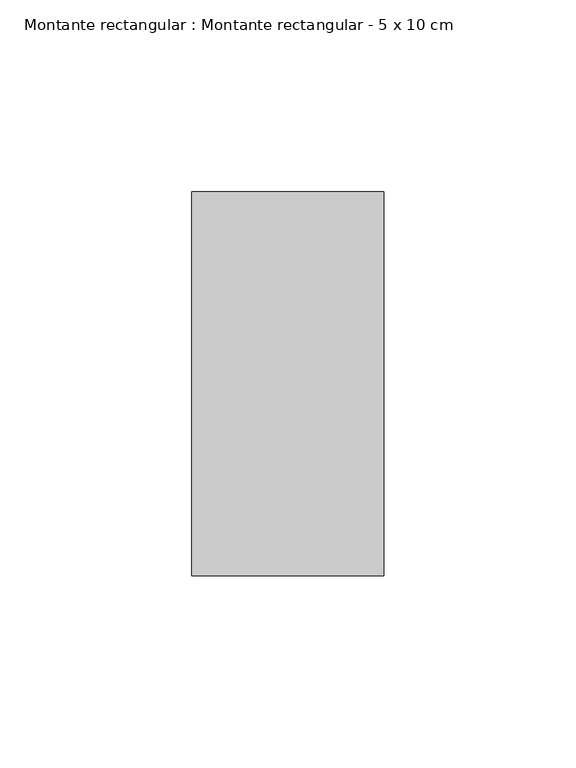
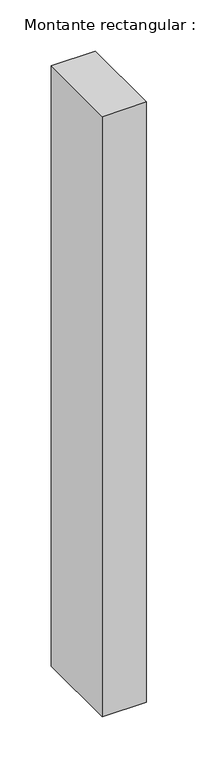
"""IFC4 building model written with IfcOpenShell, lengths in millimetres: member geometry, Montante rectangular : Montante rectangular - 5 x 10 cm."""

import ifcopenshell
import ifcopenshell.guid

model = None  # the IFC model being written
_history = None  # IfcOwnerHistory: only IFC2X3 demands one
_inside = {}  # id of a spatial element -> (the spatial element, [elements in it])
_under = {}  # id of a project, library or spatial element -> (it, [spatial elements below it])
_declared = {}  # id of a project -> (the project, [libraries it declares])
_typed = {}  # id of a type object -> (the type object, [elements of that type])
_made_of = {}  # id of a material, layer set ... -> (it, [elements and type objects made of it])


def new_model(schema):
    """Start an empty IFC model of exactly this schema.

    Asked for "IFC4X3", IfcOpenShell would pick the latest addendum, in which some entities
    have other attributes; the version numbers below select the first issue.
    IFC2X3 requires an IfcOwnerHistory on every rooted entity: one is made here for all.
    """
    global model, _history
    if schema == "IFC4X3":
        model = ifcopenshell.file(schema_version=(4, 3, 0, 0))
    else:
        model = ifcopenshell.file(schema=schema)
    _inside.clear()
    _under.clear()
    _declared.clear()
    _typed.clear()
    _made_of.clear()
    _history = None
    if model.schema == "IFC2X3":
        org = make("IfcOrganization", Name="unknown")
        user = make(
            "IfcPersonAndOrganization",
            ThePerson=make("IfcPerson", FamilyName="unknown"),
            TheOrganization=org,
        )
        app = make(
            "IfcApplication",
            ApplicationDeveloper=org,
            Version="unknown",
            ApplicationFullName="unknown",
            ApplicationIdentifier="unknown",
        )
        _history = make(
            "IfcOwnerHistory",
            OwningUser=user,
            OwningApplication=app,
            ChangeAction="ADDED",
            CreationDate=0,
        )
    return model


def make(cls, **values):
    """One entity of the class cls with the attributes given. An attribute that is None is left unset."""
    return model.create_entity(
        cls, **{name: value for name, value in values.items() if value is not None}
    )


def rooted(cls, **values):
    """An entity with a GlobalId (a new one), such as an element, a storey or a relation."""
    return make(cls, GlobalId=ifcopenshell.guid.new(), OwnerHistory=_history, **values)


def si_unit(unit_type, name, prefix=None):
    """IfcSIUnit, for example si_unit("LENGTHUNIT", "METRE", prefix="MILLI")."""
    return make("IfcSIUnit", UnitType=unit_type, Prefix=prefix, Name=name)


def assignment(units):
    """IfcUnitAssignment: the units of a project."""
    return None if units is None else make("IfcUnitAssignment", Units=units)


def point(xyz):
    """IfcCartesianPoint."""
    return None if xyz is None else make("IfcCartesianPoint", Coordinates=xyz)


def direction(xyz):
    """IfcDirection."""
    return None if xyz is None else make("IfcDirection", DirectionRatios=xyz)


def frame(location, z_axis=None, x_axis=None):
    """IfcAxis2Placement3D, a coordinate frame: its origin and axes. An axis left out is left unset."""
    return make(
        "IfcAxis2Placement3D",
        Location=point(location),
        Axis=direction(z_axis),
        RefDirection=direction(x_axis),
    )


def origin():
    """The frame at (0, 0, 0) with its axes left unset."""
    return frame((0.0, 0.0, 0.0))


def place(relative_to, where):
    """IfcLocalPlacement: puts the frame where relative to a parent placement (None: the world)."""
    return make(
        "IfcLocalPlacement", PlacementRelTo=relative_to, RelativePlacement=where
    )


def context(
    kind, dimensions, precision=None, world=None, true_north=None, identifier=None
):
    """IfcGeometricRepresentationContext, for example the 3D "Model" context."""
    return make(
        "IfcGeometricRepresentationContext",
        ContextIdentifier=identifier,
        ContextType=kind,
        CoordinateSpaceDimension=dimensions,
        Precision=precision,
        WorldCoordinateSystem=world,
        TrueNorth=true_north,
    )


def project(units=None, contexts=None):
    """IfcProject with its units and contexts."""
    return rooted(
        "IfcProject",
        Name="project",
        RepresentationContexts=contexts,
        UnitsInContext=assignment(units),
    )


def spatial(cls, under=None, at=None, **own):
    """A site, building, storey or space (cls), placed at a placement, below another one or the project."""
    s = rooted(cls, ObjectPlacement=at, **own)
    if under is not None:
        _under.setdefault(under.id(), (under, []))[1].append(s)
    return s


def polyline(points):
    """IfcPolyline through the points."""
    return make("IfcPolyline", Points=[point(p) for p in points])


def outline(outer, holes=None, kind="AREA"):
    """IfcArbitraryClosedProfileDef: a profile drawn as a closed curve; with holes, ...WithVoids."""
    if holes is None:
        return make("IfcArbitraryClosedProfileDef", ProfileType=kind, OuterCurve=outer)
    return make(
        "IfcArbitraryProfileDefWithVoids",
        ProfileType=kind,
        OuterCurve=outer,
        InnerCurves=holes,
    )


def extrude(swept, where, along, depth):
    """IfcExtrudedAreaSolid: the profile swept, set in the frame where, extruded along a direction by depth."""
    return make(
        "IfcExtrudedAreaSolid",
        SweptArea=swept,
        Position=where,
        ExtrudedDirection=direction(along),
        Depth=depth,
    )


def shape(context_of_items, identifier, shape_type, items):
    """IfcShapeRepresentation: the items that make up one representation, for example the "Body"."""
    return make(
        "IfcShapeRepresentation",
        ContextOfItems=context_of_items,
        RepresentationIdentifier=identifier,
        RepresentationType=shape_type,
        Items=items,
    )


def source(mapping_origin, context_of_items, identifier, shape_type, items):
    """IfcRepresentationMap: a shape defined once, which mapped items show again and again."""
    return make(
        "IfcRepresentationMap",
        MappingOrigin=mapping_origin,
        MappedRepresentation=shape(context_of_items, identifier, shape_type, items),
    )


def transform(
    local_origin,
    x_axis=None,
    y_axis=None,
    z_axis=None,
    scale=None,
    scale2=None,
    scale3=None,
    uniform=True,
):
    """IfcCartesianTransformationOperator3D, or its non-uniform kind. x_axis, y_axis, z_axis: its Axis1, 2, 3."""
    if uniform:
        return make(
            "IfcCartesianTransformationOperator3D",
            Axis1=direction(x_axis),
            Axis2=direction(y_axis),
            LocalOrigin=point(local_origin),
            Scale=scale,
            Axis3=direction(z_axis),
        )
    return make(
        "IfcCartesianTransformationOperator3DnonUniform",
        Axis1=direction(x_axis),
        Axis2=direction(y_axis),
        LocalOrigin=point(local_origin),
        Scale=scale,
        Axis3=direction(z_axis),
        Scale2=scale2,
        Scale3=scale3,
    )


def mapped(mapping_source, mapping_target):
    """IfcMappedItem: shows the shape of a source again, moved by a transform."""
    return make(
        "IfcMappedItem", MappingSource=mapping_source, MappingTarget=mapping_target
    )


def made_of(thing, what):
    """Note that an element or type object is made of a material, layer set ...; save() writes the relation."""
    if what is not None:
        _made_of.setdefault(what.id(), (what, []))[1].append(thing)
    return thing


def element(
    cls,
    number,
    at=None,
    inside=None,
    cuts=None,
    type_object=None,
    material=None,
    context=None,
    identifier="Body",
    shape_type=None,
    held_by="IfcProductDefinitionShape",
    body=None,
    shapes=None,
    **own,
):
    """One element of the class cls, such as IfcWall. Its Tag is "e" and its number.

    at: its placement. inside: the storey or other place that contains it. cuts: it is an
    opening in that element (IfcRelVoidsElement). A single representation is given by context,
    identifier, shape_type and body (its items); several are given by shapes. held_by: the class
    of the entity that holds the representations. save() writes the other relations.
    """
    e = rooted(cls, Tag="e%d" % number, ObjectPlacement=at, **own)
    if body is not None:
        shapes = [shape(context, identifier, shape_type, body)]
    if shapes is not None:
        e.Representation = make(held_by, Representations=shapes)
    if inside is not None:
        _inside.setdefault(inside.id(), (inside, []))[1].append(e)
    if cuts is not None:
        rooted(
            "IfcRelVoidsElement", RelatingBuildingElement=cuts, RelatedOpeningElement=e
        )
    if type_object is not None:
        _typed.setdefault(type_object.id(), (type_object, []))[1].append(e)
    return made_of(e, material)


def aggregate(whole, parts):
    """IfcRelAggregates: a whole, such as a stair, and the parts it consists of."""
    return rooted("IfcRelAggregates", RelatingObject=whole, RelatedObjects=parts)


def save(model, path):
    """Write the relations noted so far, then the file.

    IfcRelAggregates (storeys below a building ...), IfcRelContainedInSpatialStructure (elements
    in a storey), IfcRelDefinesByType, IfcRelAssociatesMaterial and IfcRelDeclares: one each for
    every whole, place, type object, material and project.
    """
    for whole, parts in _under.values():
        aggregate(whole, parts)
    for where, things in _inside.values():
        rooted(
            "IfcRelContainedInSpatialStructure",
            RelatedElements=things,
            RelatingStructure=where,
        )
    for kind, things in _typed.values():
        rooted("IfcRelDefinesByType", RelatedObjects=things, RelatingType=kind)
    for what, things in _made_of.values():
        rooted("IfcRelAssociatesMaterial", RelatedObjects=things, RelatingMaterial=what)
    for by, libraries in _declared.values():
        rooted("IfcRelDeclares", RelatingContext=by, RelatedDefinitions=libraries)
    model.write(path)


def montante_rectangular_montante_rectangular_5_x_10_cm_7015408f(model_context):
    return source(origin(), model_context, "Body", "SweptSolid", [
        extrude(outline(polyline([(-50.0, 50.0), (0.0, 50.0), (0.0, -50.0), (-50.0, -50.0), (-50.0, 50.0)])), frame((0.0, 0.0, -717.1037779), z_axis=(0.0, 0.0, 1.0), x_axis=(1.0, 0.0, 0.0)), (0.0, 0.0, 1.0), 717.1037779),
    ])


if __name__ == "__main__":
    model = new_model("IFC4")
    model_context = context("Model", 3, world=origin())
    ifc_project = project(units=[si_unit("LENGTHUNIT", "METRE", prefix="MILLI")], contexts=[model_context])
    site = spatial("IfcSite", under=ifc_project)
    building = spatial("IfcBuilding", under=site)
    placement = place(None, origin())
    montante_rectangular_montante_rectangular_5_x_10_cm_shape = montante_rectangular_montante_rectangular_5_x_10_cm_7015408f(model_context)
    element("IfcMember", 1, ObjectType="Montante rectangular : Montante rectangular - 5 x 10 cm", at=placement, inside=building, context=model_context, shape_type="MappedRepresentation", body=[
        mapped(montante_rectangular_montante_rectangular_5_x_10_cm_shape, transform((0.0, 0.0, 0.0), x_axis=(1.0, 0.0, 0.0), y_axis=(0.0, 1.0, 0.0), z_axis=(0.0, 0.0, 1.0))),
    ])
    save(model, "model.ifc")
